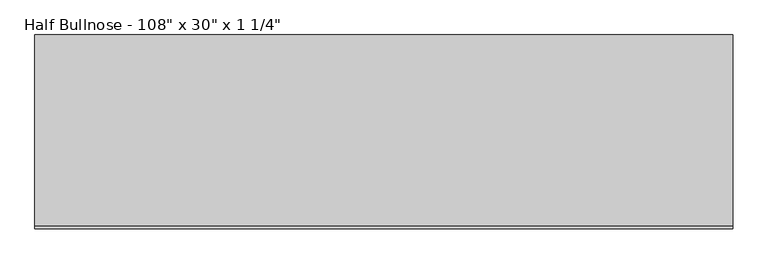
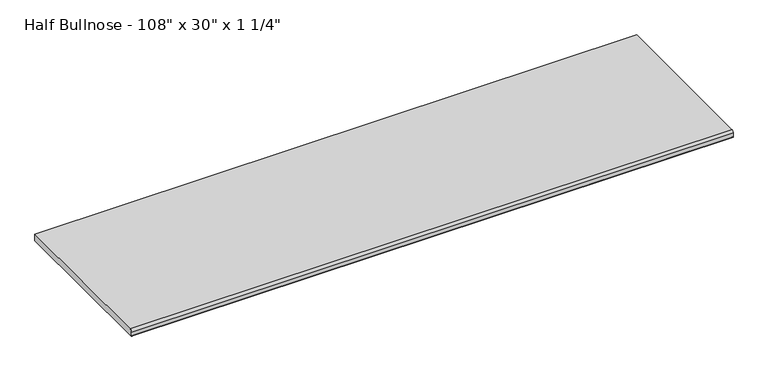
"""IFC4 building model written with IfcOpenShell, lengths in millimetres: furniture geometry."""

from ifc_helpers import new_model, si_unit, point, frame, frame_2d, origin, place, context, project, spatial, polyline, circle_curve, trimmed, segment, composite_curve, outline, extrude, source, transform, mapped, element, save


def furniture_f40ffbc1(model_context):
    return source(origin(), model_context, "Body", "SweptSolid", [
        extrude(outline(composite_curve([segment(polyline([(-727.075, 914.4), (25.4, 914.4), (25.4, 882.65), (-733.425, 882.65)]), True, "CONTINUOUS"), segment(trimmed(circle_curve(frame_2d((-733.425, 885.825)), 3.175), [point((-733.425, 882.65))], [point((-736.6, 885.825))], False, "CARTESIAN"), True, "CONTINUOUS"), segment(polyline([(-736.6, 885.825), (-736.6, 904.875)]), True, "CONTINUOUS"), segment(trimmed(circle_curve(frame_2d((-727.075, 904.875)), 9.525), [point((-736.6, 904.875))], [point((-727.075, 914.4))], False, "CARTESIAN"), True, "CONTINUOUS")], self_intersect=False)), frame((-1200.4622951, 0.0, 0.0), z_axis=(1.0, 0.0, 0.0), x_axis=(0.0, 1.0, 0.0)), (0.0, 0.0, 1.0), 2743.2),
    ])


if __name__ == "__main__":
    model = new_model("IFC4")
    model_context = context("Model", 3, world=origin())
    ifc_project = project(units=[si_unit("LENGTHUNIT", "METRE", prefix="MILLI")], contexts=[model_context])
    site = spatial("IfcSite", under=ifc_project)
    building = spatial("IfcBuilding", under=site)
    placement = place(None, origin())
    furniture_shape = furniture_f40ffbc1(model_context)
    element("IfcFurniture", 1, ObjectType="Half Bullnose - 108\" x 30\" x 1 1/4\"", at=placement, inside=building, context=model_context, shape_type="MappedRepresentation", body=[
        mapped(furniture_shape, transform((0.0, 0.0, 0.0), x_axis=(1.0, 0.0, 0.0), y_axis=(0.0, 1.0, 0.0), z_axis=(0.0, 0.0, 1.0))),
    ])
    save(model, "model.ifc")
